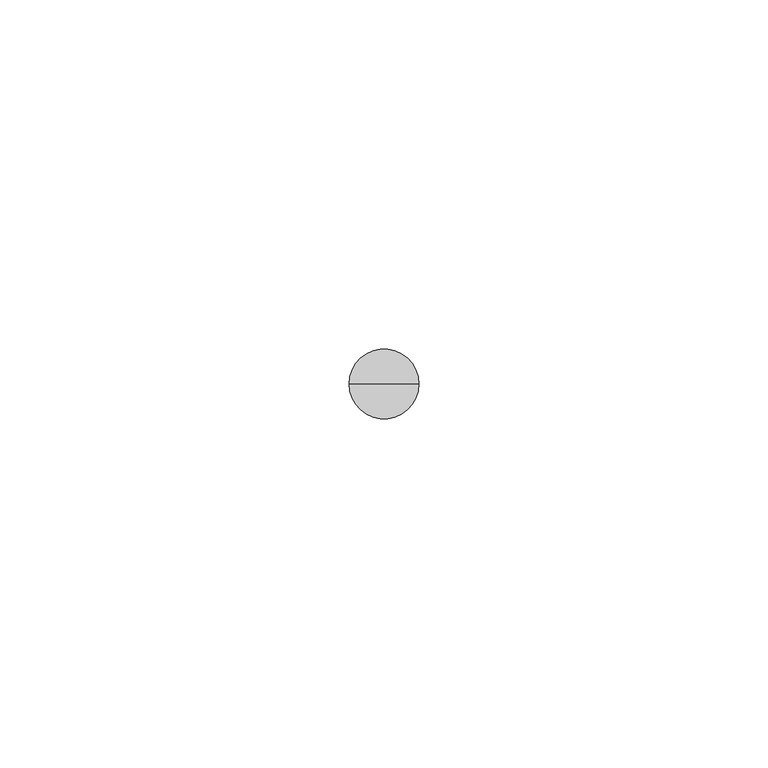
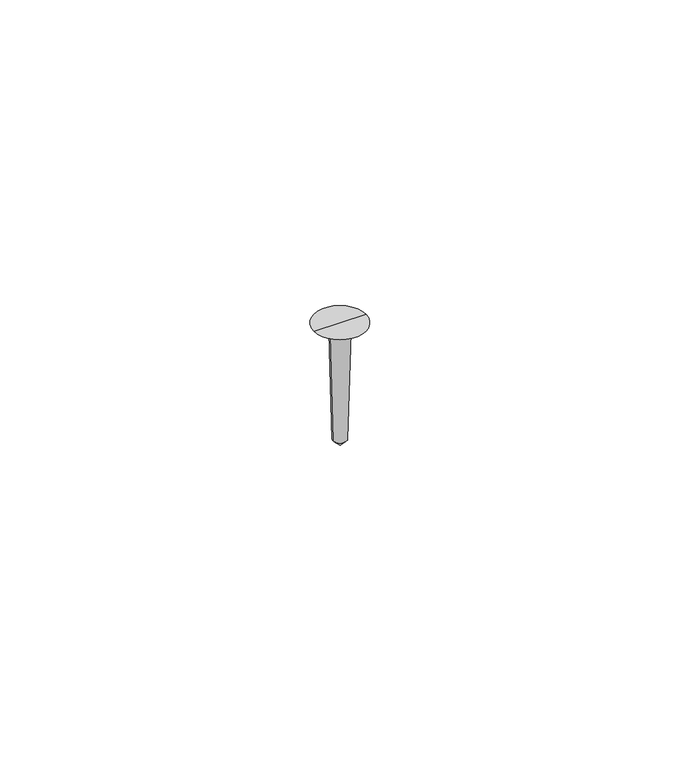
"""IFC4 building model written with IfcOpenShell, lengths in millimetres: proxy geometry."""

from ifc_helpers import new_model, si_unit, frame, origin, origin_with_axes, place, context, project, spatial, polyline, circle_curve, source, transform, mapped, element, save
from ifc_brep_helpers import plane_surface, revolved_surface, advanced_brep


def generic_models_a59e3188(model_context):
    return source(origin(), model_context, "Body", "AdvancedBrep", [
        advanced_brep(
        [(-5.0, 0.0, 0.0), (5.0, 0.0, 0.0), (1.865608, 0.0, -1.809642), (-1.865608, 0.0, -1.809642), (1.3053271, 0.0, -23.6594235), (-1.3053271, 0.0, -23.6594235), (0.0, 0.0, -25.0), (0.0, 0.0, 0.0)],
        [
            (0, 1, circle_curve(frame((0.0, 0.0, 0.0), z_axis=(0.0, 0.0, -1.0), x_axis=(1.0, 0.0, 0.0)), 5.0)),
            (1, 2),
            (2, 3, circle_curve(frame((0.0, 0.0, -1.809642), z_axis=(0.0, 0.0, 1.0), x_axis=(1.0, 0.0, 0.0)), 1.865608)),
            (3, 0),
            (1, 0, circle_curve(frame((0.0, 0.0, 0.0), z_axis=(0.0, 0.0, -1.0), x_axis=(1.0, 0.0, 0.0)), 5.0)),
            (3, 2, circle_curve(frame((0.0, 0.0, -1.809642), z_axis=(0.0, 0.0, 1.0), x_axis=(1.0, 0.0, 0.0)), 1.865608)),
            (2, 4),
            (4, 5, circle_curve(frame((0.0, 0.0, -23.6594235), z_axis=(0.0, 0.0, 1.0), x_axis=(1.0, 0.0, 0.0)), 1.3053271)),
            (5, 3),
            (5, 4, circle_curve(frame((0.0, 0.0, -23.6594235), z_axis=(0.0, 0.0, 1.0), x_axis=(1.0, 0.0, 0.0)), 1.3053271)),
            (4, 6),
            (6, 5),
            (7, 1),
            (0, 7),
        ],
        [
            revolved_surface(polyline([(1.865608, 0.0, -1.809642), (5.0, 0.0, 0.0)]), (0.0, 0.0, -1000.0), (0.0, 0.0, 1.0)),
            revolved_surface(polyline([(1.3053271, 0.0, -23.6594235), (1.865608, 0.0, -1.809642)]), (0.0, 0.0, -1000.0), (0.0, 0.0, 1.0)),
            revolved_surface(polyline([(0.0, 0.0, -25.0), (1.3053271, 0.0, -23.6594235)]), (0.0, 0.0, -1000.0), (0.0, 0.0, 1.0)),
            plane_surface(origin_with_axes()),
        ],
        [
            (0, [[1, 2, 3, 4]]),
            (0, [[5, -4, 6, -2]]),
            (1, [[-3, 7, 8, 9]]),
            (1, [[-6, -9, 10, -7]]),
            (2, [[-8, 11, 12]]),
            (2, [[-10, -12, -11]]),
            (3, [[13, -1, 14]]),
            (3, [[-14, -5, -13]]),
        ],
    ),
    ])


if __name__ == "__main__":
    model = new_model("IFC4")
    model_context = context("Model", 3, world=origin())
    ifc_project = project(units=[si_unit("LENGTHUNIT", "METRE", prefix="MILLI")], contexts=[model_context])
    site = spatial("IfcSite", under=ifc_project)
    building = spatial("IfcBuilding", under=site)
    placement = place(None, origin())
    generic_models_shape = generic_models_a59e3188(model_context)
    element("IfcBuildingElementProxy", 1, Name="Generic Models", at=placement, inside=building, context=model_context, shape_type="MappedRepresentation", body=[
        mapped(generic_models_shape, transform((0.0, 0.0, 0.0), x_axis=(1.0, 0.0, 0.0), y_axis=(0.0, 1.0, 0.0), z_axis=(0.0, 0.0, 1.0))),
    ])
    save(model, "model.ifc")
